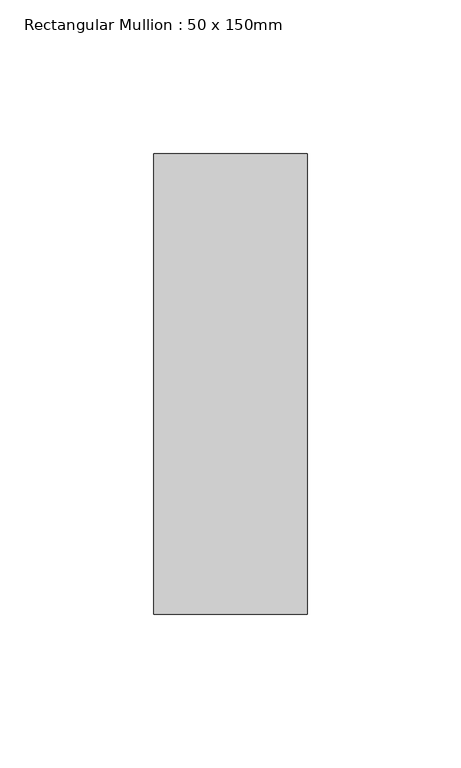
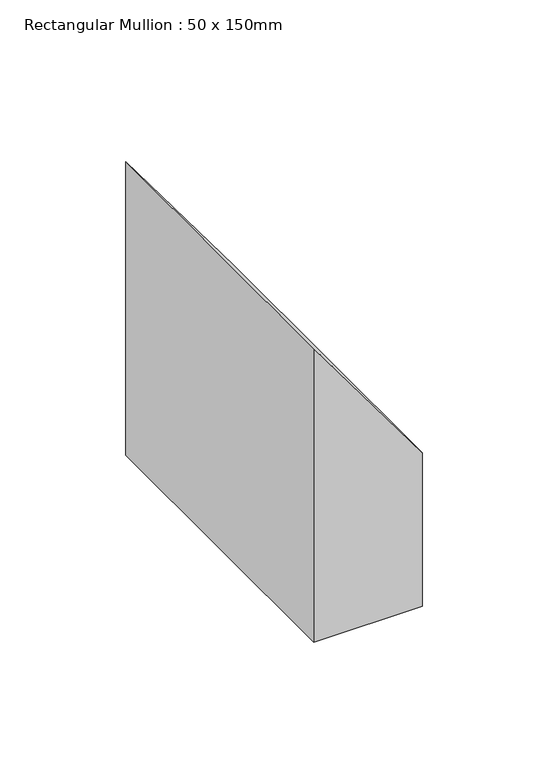
"""IFC4 building model written with IfcOpenShell, lengths in millimetres: member geometry, Rectangular Mullion : 50 x 150mm."""

import ifcopenshell
import ifcopenshell.guid

model = None  # the IFC model being written
_history = None  # IfcOwnerHistory: only IFC2X3 demands one
_inside = {}  # id of a spatial element -> (the spatial element, [elements in it])
_under = {}  # id of a project, library or spatial element -> (it, [spatial elements below it])
_declared = {}  # id of a project -> (the project, [libraries it declares])
_typed = {}  # id of a type object -> (the type object, [elements of that type])
_made_of = {}  # id of a material, layer set ... -> (it, [elements and type objects made of it])


def new_model(schema):
    """Start an empty IFC model of exactly this schema.

    Asked for "IFC4X3", IfcOpenShell would pick the latest addendum, in which some entities
    have other attributes; the version numbers below select the first issue.
    IFC2X3 requires an IfcOwnerHistory on every rooted entity: one is made here for all.
    """
    global model, _history
    if schema == "IFC4X3":
        model = ifcopenshell.file(schema_version=(4, 3, 0, 0))
    else:
        model = ifcopenshell.file(schema=schema)
    _inside.clear()
    _under.clear()
    _declared.clear()
    _typed.clear()
    _made_of.clear()
    _history = None
    if model.schema == "IFC2X3":
        org = make("IfcOrganization", Name="unknown")
        user = make(
            "IfcPersonAndOrganization",
            ThePerson=make("IfcPerson", FamilyName="unknown"),
            TheOrganization=org,
        )
        app = make(
            "IfcApplication",
            ApplicationDeveloper=org,
            Version="unknown",
            ApplicationFullName="unknown",
            ApplicationIdentifier="unknown",
        )
        _history = make(
            "IfcOwnerHistory",
            OwningUser=user,
            OwningApplication=app,
            ChangeAction="ADDED",
            CreationDate=0,
        )
    return model


def make(cls, **values):
    """One entity of the class cls with the attributes given. An attribute that is None is left unset."""
    return model.create_entity(
        cls, **{name: value for name, value in values.items() if value is not None}
    )


def rooted(cls, **values):
    """An entity with a GlobalId (a new one), such as an element, a storey or a relation."""
    return make(cls, GlobalId=ifcopenshell.guid.new(), OwnerHistory=_history, **values)


def si_unit(unit_type, name, prefix=None):
    """IfcSIUnit, for example si_unit("LENGTHUNIT", "METRE", prefix="MILLI")."""
    return make("IfcSIUnit", UnitType=unit_type, Prefix=prefix, Name=name)


def assignment(units):
    """IfcUnitAssignment: the units of a project."""
    return None if units is None else make("IfcUnitAssignment", Units=units)


def point(xyz):
    """IfcCartesianPoint."""
    return None if xyz is None else make("IfcCartesianPoint", Coordinates=xyz)


def direction(xyz):
    """IfcDirection."""
    return None if xyz is None else make("IfcDirection", DirectionRatios=xyz)


def frame(location, z_axis=None, x_axis=None):
    """IfcAxis2Placement3D, a coordinate frame: its origin and axes. An axis left out is left unset."""
    return make(
        "IfcAxis2Placement3D",
        Location=point(location),
        Axis=direction(z_axis),
        RefDirection=direction(x_axis),
    )


def frame_2d(location, x_axis=None):
    """IfcAxis2Placement2D, a coordinate frame in the plane: its origin and x axis."""
    return make(
        "IfcAxis2Placement2D", Location=point(location), RefDirection=direction(x_axis)
    )


def origin():
    """The frame at (0, 0, 0) with its axes left unset."""
    return frame((0.0, 0.0, 0.0))


def place(relative_to, where):
    """IfcLocalPlacement: puts the frame where relative to a parent placement (None: the world)."""
    return make(
        "IfcLocalPlacement", PlacementRelTo=relative_to, RelativePlacement=where
    )


def context(
    kind, dimensions, precision=None, world=None, true_north=None, identifier=None
):
    """IfcGeometricRepresentationContext, for example the 3D "Model" context."""
    return make(
        "IfcGeometricRepresentationContext",
        ContextIdentifier=identifier,
        ContextType=kind,
        CoordinateSpaceDimension=dimensions,
        Precision=precision,
        WorldCoordinateSystem=world,
        TrueNorth=true_north,
    )


def project(units=None, contexts=None):
    """IfcProject with its units and contexts."""
    return rooted(
        "IfcProject",
        Name="project",
        RepresentationContexts=contexts,
        UnitsInContext=assignment(units),
    )


def spatial(cls, under=None, at=None, **own):
    """A site, building, storey or space (cls), placed at a placement, below another one or the project."""
    s = rooted(cls, ObjectPlacement=at, **own)
    if under is not None:
        _under.setdefault(under.id(), (under, []))[1].append(s)
    return s


def polyline(points):
    """IfcPolyline through the points."""
    return make("IfcPolyline", Points=[point(p) for p in points])


def circle_curve(where, radius):
    """IfcCircle in the frame where."""
    return make("IfcCircle", Position=where, Radius=radius)


def trimmed(basis, trim1, trim2, sense, master):
    """IfcTrimmedCurve: the piece of a basis curve between two trims."""
    return make(
        "IfcTrimmedCurve",
        BasisCurve=basis,
        Trim1=trim1,
        Trim2=trim2,
        SenseAgreement=sense,
        MasterRepresentation=master,
    )


def segment(curve, same_sense, transition):
    """IfcCompositeCurveSegment."""
    return make(
        "IfcCompositeCurveSegment",
        Transition=transition,
        SameSense=same_sense,
        ParentCurve=curve,
    )


def composite_curve(segments, self_intersect=None):
    """IfcCompositeCurve: segments joined end to end."""
    return make("IfcCompositeCurve", Segments=segments, SelfIntersect=self_intersect)


def outline(outer, holes=None, kind="AREA"):
    """IfcArbitraryClosedProfileDef: a profile drawn as a closed curve; with holes, ...WithVoids."""
    if holes is None:
        return make("IfcArbitraryClosedProfileDef", ProfileType=kind, OuterCurve=outer)
    return make(
        "IfcArbitraryProfileDefWithVoids",
        ProfileType=kind,
        OuterCurve=outer,
        InnerCurves=holes,
    )


def extrude(swept, where, along, depth):
    """IfcExtrudedAreaSolid: the profile swept, set in the frame where, extruded along a direction by depth."""
    return make(
        "IfcExtrudedAreaSolid",
        SweptArea=swept,
        Position=where,
        ExtrudedDirection=direction(along),
        Depth=depth,
    )


def shape(context_of_items, identifier, shape_type, items):
    """IfcShapeRepresentation: the items that make up one representation, for example the "Body"."""
    return make(
        "IfcShapeRepresentation",
        ContextOfItems=context_of_items,
        RepresentationIdentifier=identifier,
        RepresentationType=shape_type,
        Items=items,
    )


def source(mapping_origin, context_of_items, identifier, shape_type, items):
    """IfcRepresentationMap: a shape defined once, which mapped items show again and again."""
    return make(
        "IfcRepresentationMap",
        MappingOrigin=mapping_origin,
        MappedRepresentation=shape(context_of_items, identifier, shape_type, items),
    )


def transform(
    local_origin,
    x_axis=None,
    y_axis=None,
    z_axis=None,
    scale=None,
    scale2=None,
    scale3=None,
    uniform=True,
):
    """IfcCartesianTransformationOperator3D, or its non-uniform kind. x_axis, y_axis, z_axis: its Axis1, 2, 3."""
    if uniform:
        return make(
            "IfcCartesianTransformationOperator3D",
            Axis1=direction(x_axis),
            Axis2=direction(y_axis),
            LocalOrigin=point(local_origin),
            Scale=scale,
            Axis3=direction(z_axis),
        )
    return make(
        "IfcCartesianTransformationOperator3DnonUniform",
        Axis1=direction(x_axis),
        Axis2=direction(y_axis),
        LocalOrigin=point(local_origin),
        Scale=scale,
        Axis3=direction(z_axis),
        Scale2=scale2,
        Scale3=scale3,
    )


def mapped(mapping_source, mapping_target):
    """IfcMappedItem: shows the shape of a source again, moved by a transform."""
    return make(
        "IfcMappedItem", MappingSource=mapping_source, MappingTarget=mapping_target
    )


def made_of(thing, what):
    """Note that an element or type object is made of a material, layer set ...; save() writes the relation."""
    if what is not None:
        _made_of.setdefault(what.id(), (what, []))[1].append(thing)
    return thing


def element(
    cls,
    number,
    at=None,
    inside=None,
    cuts=None,
    type_object=None,
    material=None,
    context=None,
    identifier="Body",
    shape_type=None,
    held_by="IfcProductDefinitionShape",
    body=None,
    shapes=None,
    **own,
):
    """One element of the class cls, such as IfcWall. Its Tag is "e" and its number.

    at: its placement. inside: the storey or other place that contains it. cuts: it is an
    opening in that element (IfcRelVoidsElement). A single representation is given by context,
    identifier, shape_type and body (its items); several are given by shapes. held_by: the class
    of the entity that holds the representations. save() writes the other relations.
    """
    e = rooted(cls, Tag="e%d" % number, ObjectPlacement=at, **own)
    if body is not None:
        shapes = [shape(context, identifier, shape_type, body)]
    if shapes is not None:
        e.Representation = make(held_by, Representations=shapes)
    if inside is not None:
        _inside.setdefault(inside.id(), (inside, []))[1].append(e)
    if cuts is not None:
        rooted(
            "IfcRelVoidsElement", RelatingBuildingElement=cuts, RelatedOpeningElement=e
        )
    if type_object is not None:
        _typed.setdefault(type_object.id(), (type_object, []))[1].append(e)
    return made_of(e, material)


def aggregate(whole, parts):
    """IfcRelAggregates: a whole, such as a stair, and the parts it consists of."""
    return rooted("IfcRelAggregates", RelatingObject=whole, RelatedObjects=parts)


def save(model, path):
    """Write the relations noted so far, then the file.

    IfcRelAggregates (storeys below a building ...), IfcRelContainedInSpatialStructure (elements
    in a storey), IfcRelDefinesByType, IfcRelAssociatesMaterial and IfcRelDeclares: one each for
    every whole, place, type object, material and project.
    """
    for whole, parts in _under.values():
        aggregate(whole, parts)
    for where, things in _inside.values():
        rooted(
            "IfcRelContainedInSpatialStructure",
            RelatedElements=things,
            RelatingStructure=where,
        )
    for kind, things in _typed.values():
        rooted("IfcRelDefinesByType", RelatedObjects=things, RelatingType=kind)
    for what, things in _made_of.values():
        rooted("IfcRelAssociatesMaterial", RelatedObjects=things, RelatingMaterial=what)
    for by, libraries in _declared.values():
        rooted("IfcRelDeclares", RelatingContext=by, RelatedDefinitions=libraries)
    model.write(path)


def rectangular_mullion_50_x_150mm_7d1becca(model_context):
    return source(origin(), model_context, "Body", "SweptSolid", [
        extrude(outline(composite_curve([segment(trimmed(circle_curve(frame_2d((-8259.6463524, -11142.4463996)), 13819.9628563), [point((-118.4232096, 25.0))], [point((-50.2761633, -25.0))], False, "CARTESIAN"), True, "CONTINUOUS"), segment(polyline([(-50.2761633, -25.0), (-193.2425214, -25.0), (-193.2425214, 25.0), (-118.4232096, 25.0)]), True, "CONTINUOUS")], self_intersect=False)), frame((0.0, -75.0, 0.0), z_axis=(0.0, 1.0, 0.0), x_axis=(0.0, 0.0, 1.0)), (0.0, 0.0, 1.0), 150.0),
    ])


if __name__ == "__main__":
    model = new_model("IFC4")
    model_context = context("Model", 3, world=origin())
    ifc_project = project(units=[si_unit("LENGTHUNIT", "METRE", prefix="MILLI")], contexts=[model_context])
    site = spatial("IfcSite", under=ifc_project)
    building = spatial("IfcBuilding", under=site)
    placement = place(None, origin())
    rectangular_mullion_50_x_150mm_shape = rectangular_mullion_50_x_150mm_7d1becca(model_context)
    element("IfcMember", 1, ObjectType="Rectangular Mullion : 50 x 150mm", at=placement, inside=building, context=model_context, shape_type="MappedRepresentation", body=[
        mapped(rectangular_mullion_50_x_150mm_shape, transform((0.0, 0.0, 0.0), x_axis=(1.0, 0.0, 0.0), y_axis=(0.0, 1.0, 0.0), z_axis=(0.0, 0.0, 1.0))),
    ])
    save(model, "model.ifc")
